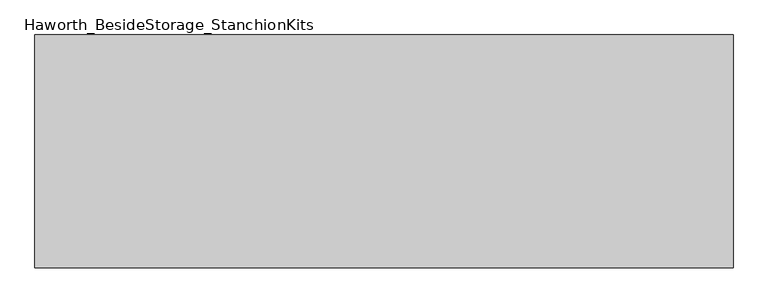
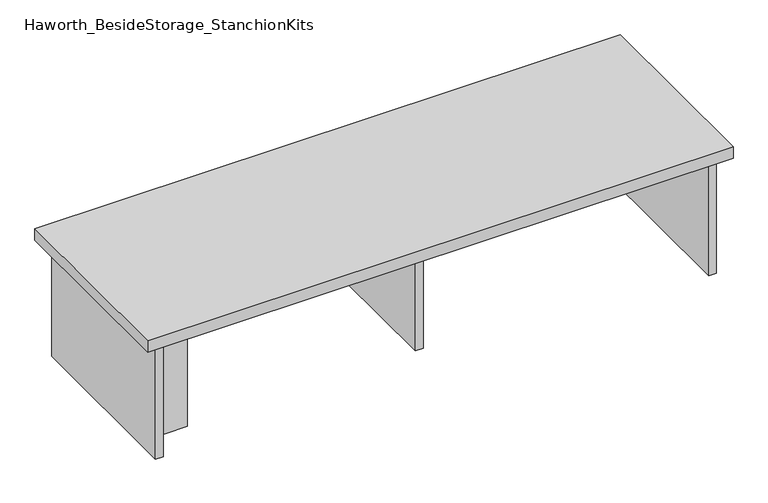
"""IFC4 building model written with IfcOpenShell, lengths in millimetres: furniture geometry, Haworth_BesideStorage_StanchionKits."""

from ifc_helpers import new_model, si_unit, frame, origin, place, context, project, spatial, polyline, outline, extrude, source, transform, mapped, element, save


def haworth_besidestorage_stanchionkits_8ef74a1e(model_context):
    return source(origin(), model_context, "Body", "SweptSolid", [
        extrude(outline(polyline([(771.525, 0.0), (771.525, -406.4), (-447.675, -406.4), (-447.675, 0.0), (771.525, 0.0)])), frame((0.0, 0.0, 685.8), z_axis=(0.0, 0.0, 1.0), x_axis=(1.0, 0.0, 0.0)), (0.0, 0.0, 1.0), 25.4),
        extrude(outline(polyline([(644.525, -76.2), (730.25, -76.2), (730.25, -92.075), (644.525, -92.075), (644.525, -76.2)])), frame((0.0, 0.0, 431.8), z_axis=(0.0, 0.0, 1.0), x_axis=(1.0, 0.0, 0.0)), (0.0, 0.0, 1.0), 254.0),
        extrude(outline(polyline([(-320.675, -314.325), (-320.675, -330.2), (-406.4, -330.2), (-406.4, -314.325), (-320.675, -314.325)])), frame((0.0, 0.0, 431.8), z_axis=(0.0, 0.0, 1.0), x_axis=(1.0, 0.0, 0.0)), (0.0, 0.0, 1.0), 254.0),
        extrude(outline(polyline([(169.8625, -330.2), (153.9875, -330.2), (153.9875, -76.2), (169.8625, -76.2), (169.8625, -330.2)])), frame((0.0, 0.0, 431.8), z_axis=(0.0, 0.0, 1.0), x_axis=(1.0, 0.0, 0.0)), (0.0, 0.0, 1.0), 254.0),
        extrude(outline(polyline([(746.125, -390.525), (730.25, -390.525), (730.25, -15.875), (746.125, -15.875), (746.125, -390.525)])), frame((0.0, 0.0, 431.8), z_axis=(0.0, 0.0, 1.0), x_axis=(1.0, 0.0, 0.0)), (0.0, 0.0, 1.0), 254.0),
        extrude(outline(polyline([(-406.4, -390.525), (-422.275, -390.525), (-422.275, -15.875), (-406.4, -15.875), (-406.4, -390.525)])), frame((0.0, 0.0, 431.8), z_axis=(0.0, 0.0, 1.0), x_axis=(1.0, 0.0, 0.0)), (0.0, 0.0, 1.0), 254.0),
    ])


if __name__ == "__main__":
    model = new_model("IFC4")
    model_context = context("Model", 3, world=origin())
    ifc_project = project(units=[si_unit("LENGTHUNIT", "METRE", prefix="MILLI")], contexts=[model_context])
    site = spatial("IfcSite", under=ifc_project)
    building = spatial("IfcBuilding", under=site)
    placement = place(None, origin())
    haworth_besidestorage_stanchionkits_shape = haworth_besidestorage_stanchionkits_8ef74a1e(model_context)
    element("IfcFurniture", 1, ObjectType="Haworth_BesideStorage_StanchionKits", at=placement, inside=building, context=model_context, shape_type="MappedRepresentation", body=[
        mapped(haworth_besidestorage_stanchionkits_shape, transform((0.0, 0.0, 0.0), x_axis=(1.0, 0.0, 0.0), y_axis=(0.0, 1.0, 0.0), z_axis=(0.0, 0.0, 1.0))),
    ])
    save(model, "model.ifc")
